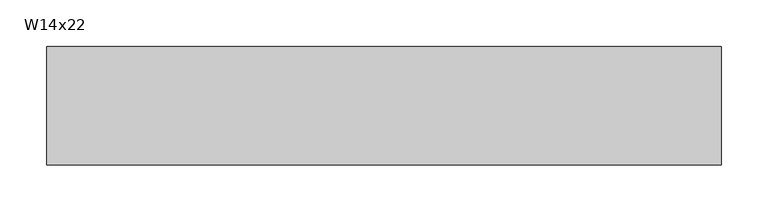
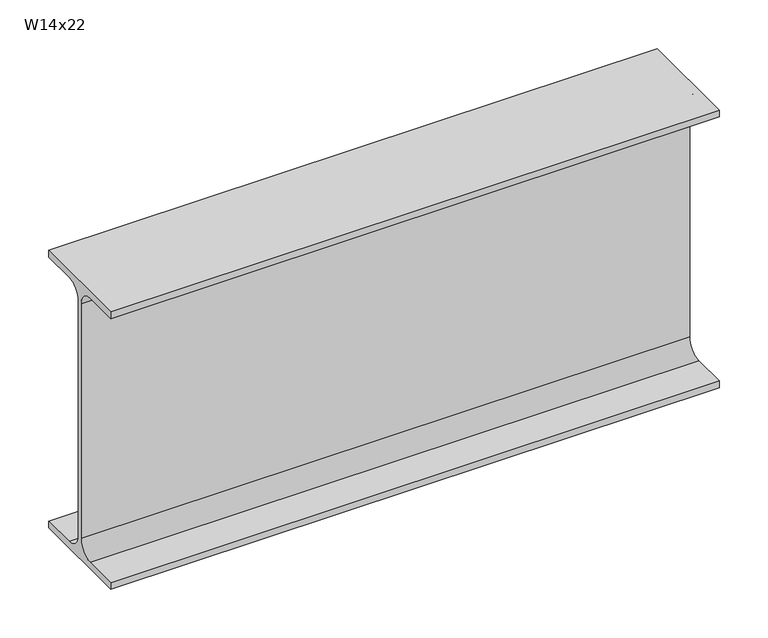
"""IFC4 building model written with IfcOpenShell, lengths in millimetres: beam geometry, W14x22."""

from ifc_helpers import new_model, si_unit, point, frame, frame_2d, origin, place, context, project, spatial, polyline, circle_curve, trimmed, segment, composite_curve, outline, extrude, source, transform, mapped, element, save


def w14x22_06ac417e(model_context):
    return source(origin(), model_context, "Body", "SweptSolid", [
        extrude(outline(composite_curve([segment(polyline([(63.5, -165.481), (63.5, -173.99), (-63.5, -173.99), (-63.5, -165.481), (-21.3995, -165.481)]), True, "CONTINUOUS"), segment(trimmed(circle_curve(frame_2d((-21.3995, -147.0025)), 18.4785), [point((-21.3995, -165.481))], [point((-2.921, -147.0025))], True, "CARTESIAN"), True, "CONTINUOUS"), segment(polyline([(-2.921, -147.0025), (-2.921, 147.0025)]), True, "CONTINUOUS"), segment(trimmed(circle_curve(frame_2d((-21.3995, 147.0025)), 18.4785), [point((-2.921, 147.0025))], [point((-21.3995, 165.481))], True, "CARTESIAN"), True, "CONTINUOUS"), segment(polyline([(-21.3995, 165.481), (-63.5, 165.481), (-63.5, 173.99), (63.5, 173.99), (63.5, 165.481), (21.3995, 165.481)]), True, "CONTINUOUS"), segment(trimmed(circle_curve(frame_2d((21.3995, 147.0025)), 18.4785), [point((21.3995, 165.481))], [point((2.921, 147.0025))], True, "CARTESIAN"), True, "CONTINUOUS"), segment(polyline([(2.921, 147.0025), (2.921, -147.0025)]), True, "CONTINUOUS"), segment(trimmed(circle_curve(frame_2d((21.3995, -147.0025)), 18.4785), [point((2.921, -147.0025))], [point((21.3995, -165.481))], True, "CARTESIAN"), True, "CONTINUOUS"), segment(polyline([(21.3995, -165.481), (63.5, -165.481)]), True, "CONTINUOUS")], self_intersect=False)), frame((-327.203956, 0.0, 0.0), z_axis=(1.0, 0.0, 0.0), x_axis=(0.0, 1.0, 0.0)), (0.0, 0.0, 1.0), 721.8827007),
    ])


if __name__ == "__main__":
    model = new_model("IFC4")
    model_context = context("Model", 3, world=origin())
    ifc_project = project(units=[si_unit("LENGTHUNIT", "METRE", prefix="MILLI")], contexts=[model_context])
    site = spatial("IfcSite", under=ifc_project)
    building = spatial("IfcBuilding", under=site)
    placement = place(None, origin())
    w14x22_shape = w14x22_06ac417e(model_context)
    element("IfcBeam", 1, ObjectType="W14x22", at=placement, inside=building, context=model_context, shape_type="MappedRepresentation", body=[
        mapped(w14x22_shape, transform((0.0, 0.0, 0.0), x_axis=(1.0, 0.0, 0.0), y_axis=(0.0, 1.0, 0.0), z_axis=(0.0, 0.0, 1.0))),
    ])
    save(model, "model.ifc")
